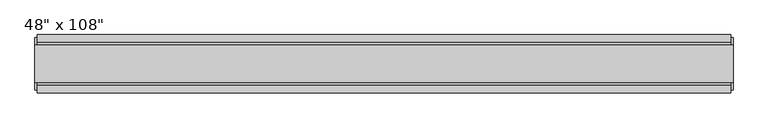
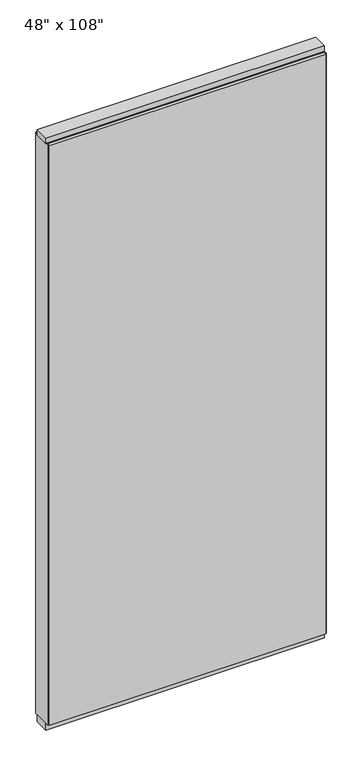
"""IFC4 building model written with IfcOpenShell, lengths in millimetres: furniture geometry."""

from ifc_helpers import new_model, si_unit, frame, origin, origin_with_axes, place, context, project, spatial, polyline, outline, extrude, source, transform, mapped, element, save


def furniture_9d4b2f2e(model_context):
    return source(origin(), model_context, "Body", "SweptSolid", [
        extrude(outline(polyline([(545.6264771, 46.2822784), (545.6264771, 33.5822784), (-665.6995229, 33.5822784), (-665.6995229, 46.2822784), (545.6264771, 46.2822784)])), frame((0.0, 0.0, 31.75), z_axis=(0.0, 0.0, 1.0), x_axis=(1.0, 0.0, 0.0)), (0.0, 0.0, 1.0), 2686.05),
        extrude(outline(polyline([(545.6264771, -55.3177216), (-665.6995229, -55.3177216), (-665.6995229, -42.6177216), (545.6264771, -42.6177216), (545.6264771, -55.3177216)])), frame((0.0, 0.0, 31.75), z_axis=(0.0, 0.0, 1.0), x_axis=(1.0, 0.0, 0.0)), (0.0, 0.0, 1.0), 2686.05),
        extrude(outline(polyline([(-42.6177216, 2681.478), (-42.6177216, 2717.8), (33.5822784, 2717.8), (33.5822784, 2681.478), (28.6292784, 2681.478), (28.6292784, 2676.525), (-37.6647216, 2676.525), (-37.6647216, 2681.478), (-42.6177216, 2681.478)])), frame((-665.6995229, 0.0, 0.0), z_axis=(1.0, 0.0, 0.0), x_axis=(0.0, 1.0, 0.0)), (0.0, 0.0, 1.0), 1211.326),
        extrude(outline(polyline([(549.5634771, 27.9942784), (549.5634771, -37.0297216), (-669.6365229, -37.0297216), (-669.6365229, 27.9942784), (549.5634771, 27.9942784)])), origin_with_axes(), (0.0, 0.0, 1.0), 31.75),
        extrude(outline(polyline([(-669.6365229, -37.0297216), (-669.6365229, 27.9942784), (549.5634771, 27.9942784), (549.5634771, -37.0297216), (-669.6365229, -37.0297216)])), frame((0.0, 0.0, 2717.8), z_axis=(0.0, 0.0, 1.0), x_axis=(1.0, 0.0, 0.0)), (0.0, 0.0, 1.0), 25.4),
        extrude(outline(polyline([(549.5634771, -50.3647216), (545.6264771, -50.3647216), (545.6264771, 41.3292784), (549.5634771, 41.3292784), (549.5634771, -50.3647216)])), frame((0.0, 0.0, 31.75), z_axis=(0.0, 0.0, 1.0), x_axis=(1.0, 0.0, 0.0)), (0.0, 0.0, 1.0), 2686.05),
        extrude(outline(polyline([(-669.6365229, -50.3647216), (-669.6365229, 41.3292784), (-665.6995229, 41.3292784), (-665.6995229, -50.3647216), (-669.6365229, -50.3647216)])), frame((0.0, 0.0, 31.75), z_axis=(0.0, 0.0, 1.0), x_axis=(1.0, 0.0, 0.0)), (0.0, 0.0, 1.0), 2686.05),
    ])


if __name__ == "__main__":
    model = new_model("IFC4")
    model_context = context("Model", 3, world=origin())
    ifc_project = project(units=[si_unit("LENGTHUNIT", "METRE", prefix="MILLI")], contexts=[model_context])
    site = spatial("IfcSite", under=ifc_project)
    building = spatial("IfcBuilding", under=site)
    placement = place(None, origin())
    furniture_shape = furniture_9d4b2f2e(model_context)
    element("IfcFurniture", 1, ObjectType="48\" x 108\"", at=placement, inside=building, context=model_context, shape_type="MappedRepresentation", body=[
        mapped(furniture_shape, transform((0.0, 0.0, 0.0), x_axis=(1.0, 0.0, 0.0), y_axis=(0.0, 1.0, 0.0), z_axis=(0.0, 0.0, 1.0))),
    ])
    save(model, "model.ifc")
